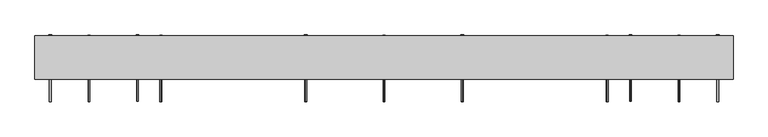
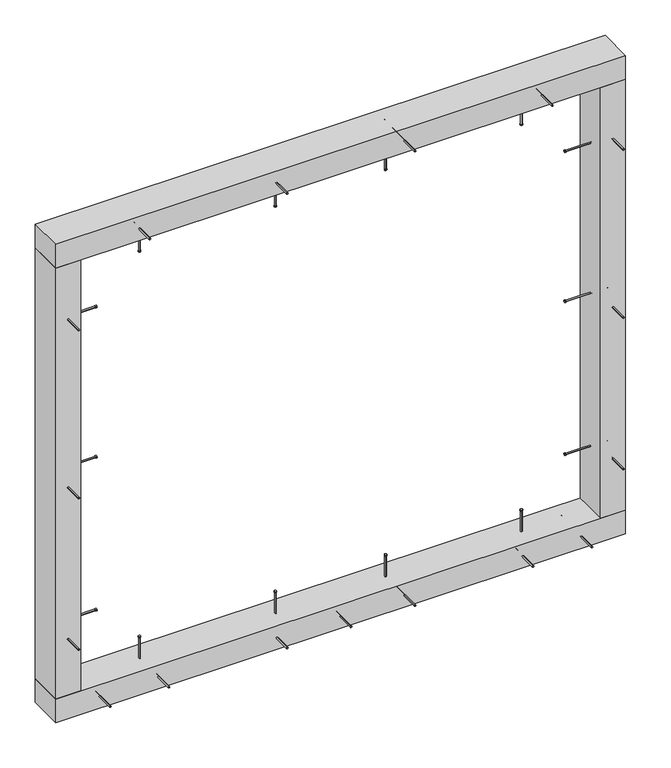
"""IFC4 building model written with IfcOpenShell, lengths in millimetres: proxy geometry."""

from ifc_helpers import new_model, si_unit, point, frame, frame_2d, origin, origin_with_axes, place, context, project, spatial, polyline, circle_curve, trimmed, segment, composite_curve, outline, extrude, source, transform, mapped, element, save


def generic_models_a7472668(model_context):
    return source(origin(), model_context, "Body", "SweptSolid", [
        extrude(outline(composite_curve([segment(trimmed(circle_curve(frame_2d((-525.0, 215.0)), 2.4700592), [point((-525.0, 212.5299408))], [point((-525.0, 217.4700592))], False, "CARTESIAN"), True, "CONTINUOUS"), segment(trimmed(circle_curve(frame_2d((-525.0, 215.0)), 2.4700592), [point((-525.0, 217.4700592))], [point((-525.0, 212.5299408))], False, "CARTESIAN"), True, "CONTINUOUS")], self_intersect=False)), frame((0.0, 0.0, 1550.0), z_axis=(0.0, 0.0, 1.0), x_axis=(1.0, 0.0, 0.0)), (0.0, 0.0, 1.0), 145.0),
        extrude(outline(composite_curve([segment(trimmed(circle_curve(frame_2d((-525.0, 215.0)), 3.8), [point((-525.0, 211.2))], [point((-525.0, 218.8))], False, "CARTESIAN"), True, "CONTINUOUS"), segment(trimmed(circle_curve(frame_2d((-525.0, 215.0)), 3.8), [point((-525.0, 218.8))], [point((-525.0, 211.2))], False, "CARTESIAN"), True, "CONTINUOUS")], self_intersect=False)), frame((0.0, 0.0, 1547.0), z_axis=(0.0, 0.0, 1.0), x_axis=(1.0, 0.0, 0.0)), (0.0, 0.0, 1.0), 3.0),
        extrude(outline(composite_curve([segment(trimmed(circle_curve(frame_2d((775.0, 215.0)), 2.4700592), [point((775.0, 212.5299408))], [point((775.0, 217.4700592))], False, "CARTESIAN"), True, "CONTINUOUS"), segment(trimmed(circle_curve(frame_2d((775.0, 215.0)), 2.4700592), [point((775.0, 217.4700592))], [point((775.0, 212.5299408))], False, "CARTESIAN"), True, "CONTINUOUS")], self_intersect=False)), frame((0.0, 0.0, 1550.0), z_axis=(0.0, 0.0, 1.0), x_axis=(1.0, 0.0, 0.0)), (0.0, 0.0, 1.0), 145.0),
        extrude(outline(composite_curve([segment(trimmed(circle_curve(frame_2d((775.0, 215.0)), 3.8), [point((775.0, 211.2))], [point((775.0, 218.8))], False, "CARTESIAN"), True, "CONTINUOUS"), segment(trimmed(circle_curve(frame_2d((775.0, 215.0)), 3.8), [point((775.0, 218.8))], [point((775.0, 211.2))], False, "CARTESIAN"), True, "CONTINUOUS")], self_intersect=False)), frame((0.0, 0.0, 1547.0), z_axis=(0.0, 0.0, 1.0), x_axis=(1.0, 0.0, 0.0)), (0.0, 0.0, 1.0), 3.0),
        extrude(outline(composite_curve([segment(trimmed(circle_curve(frame_2d((1677.5, 342.5)), 2.4700592), [point((1679.9700592, 342.5))], [point((1675.0299408, 342.5))], False, "CARTESIAN"), True, "CONTINUOUS"), segment(trimmed(circle_curve(frame_2d((1677.5, 342.5)), 2.4700592), [point((1675.0299408, 342.5))], [point((1679.9700592, 342.5))], False, "CARTESIAN"), True, "CONTINUOUS")], self_intersect=False)), frame((0.0, 93.0, 0.0), z_axis=(0.0, 1.0, 0.0), x_axis=(0.0, 0.0, 1.0)), (0.0, 0.0, 1.0), 182.0),
        extrude(outline(composite_curve([segment(trimmed(circle_curve(frame_2d((1677.5, 342.5)), 3.8), [point((1681.3, 342.5))], [point((1673.7, 342.5))], False, "CARTESIAN"), True, "CONTINUOUS"), segment(trimmed(circle_curve(frame_2d((1677.5, 342.5)), 3.8), [point((1673.7, 342.5))], [point((1681.3, 342.5))], False, "CARTESIAN"), True, "CONTINUOUS")], self_intersect=False)), frame((0.0, 275.0, 0.0), z_axis=(0.0, 1.0, 0.0), x_axis=(0.0, 0.0, 1.0)), (0.0, 0.0, 1.0), 3.0),
        extrude(outline(composite_curve([segment(trimmed(circle_curve(frame_2d((312.5, 215.0)), 2.4700592), [point((312.5, 212.5299408))], [point((312.5, 217.4700592))], False, "CARTESIAN"), True, "CONTINUOUS"), segment(trimmed(circle_curve(frame_2d((312.5, 215.0)), 2.4700592), [point((312.5, 217.4700592))], [point((312.5, 212.5299408))], False, "CARTESIAN"), True, "CONTINUOUS")], self_intersect=False)), frame((0.0, 0.0, 1550.0), z_axis=(0.0, 0.0, 1.0), x_axis=(1.0, 0.0, 0.0)), (0.0, 0.0, 1.0), 145.0),
        extrude(outline(composite_curve([segment(trimmed(circle_curve(frame_2d((312.5, 215.0)), 3.8), [point((312.5, 211.2))], [point((312.5, 218.8))], False, "CARTESIAN"), True, "CONTINUOUS"), segment(trimmed(circle_curve(frame_2d((312.5, 215.0)), 3.8), [point((312.5, 218.8))], [point((312.5, 211.2))], False, "CARTESIAN"), True, "CONTINUOUS")], self_intersect=False)), frame((0.0, 0.0, 1547.0), z_axis=(0.0, 0.0, 1.0), x_axis=(1.0, 0.0, 0.0)), (0.0, 0.0, 1.0), 3.0),
        extrude(outline(composite_curve([segment(trimmed(circle_curve(frame_2d((1677.5, -92.5)), 2.4700592), [point((1679.9700592, -92.5))], [point((1675.0299408, -92.5))], False, "CARTESIAN"), True, "CONTINUOUS"), segment(trimmed(circle_curve(frame_2d((1677.5, -92.5)), 2.4700592), [point((1675.0299408, -92.5))], [point((1679.9700592, -92.5))], False, "CARTESIAN"), True, "CONTINUOUS")], self_intersect=False)), frame((0.0, 93.0, 0.0), z_axis=(0.0, 1.0, 0.0), x_axis=(0.0, 0.0, 1.0)), (0.0, 0.0, 1.0), 182.0),
        extrude(outline(composite_curve([segment(trimmed(circle_curve(frame_2d((1677.5, -92.5)), 3.8), [point((1681.3, -92.5))], [point((1673.7, -92.5))], False, "CARTESIAN"), True, "CONTINUOUS"), segment(trimmed(circle_curve(frame_2d((1677.5, -92.5)), 3.8), [point((1673.7, -92.5))], [point((1681.3, -92.5))], False, "CARTESIAN"), True, "CONTINUOUS")], self_intersect=False)), frame((0.0, 275.0, 0.0), z_axis=(0.0, 1.0, 0.0), x_axis=(0.0, 0.0, 1.0)), (0.0, 0.0, 1.0), 3.0),
        extrude(outline(composite_curve([segment(trimmed(circle_curve(frame_2d((-62.5, 215.0)), 2.4700592), [point((-62.5, 212.5299408))], [point((-62.5, 217.4700592))], False, "CARTESIAN"), True, "CONTINUOUS"), segment(trimmed(circle_curve(frame_2d((-62.5, 215.0)), 2.4700592), [point((-62.5, 217.4700592))], [point((-62.5, 212.5299408))], False, "CARTESIAN"), True, "CONTINUOUS")], self_intersect=False)), frame((0.0, 0.0, 1550.0), z_axis=(0.0, 0.0, 1.0), x_axis=(1.0, 0.0, 0.0)), (0.0, 0.0, 1.0), 145.0),
        extrude(outline(composite_curve([segment(trimmed(circle_curve(frame_2d((-62.5, 215.0)), 3.8), [point((-62.5, 211.2))], [point((-62.5, 218.8))], False, "CARTESIAN"), True, "CONTINUOUS"), segment(trimmed(circle_curve(frame_2d((-62.5, 215.0)), 3.8), [point((-62.5, 218.8))], [point((-62.5, 211.2))], False, "CARTESIAN"), True, "CONTINUOUS")], self_intersect=False)), frame((0.0, 0.0, 1547.0), z_axis=(0.0, 0.0, 1.0), x_axis=(1.0, 0.0, 0.0)), (0.0, 0.0, 1.0), 3.0),
        extrude(outline(composite_curve([segment(trimmed(circle_curve(frame_2d((1677.5, -560.0)), 2.4700592), [point((1679.9700592, -560.0))], [point((1675.0299408, -560.0))], False, "CARTESIAN"), True, "CONTINUOUS"), segment(trimmed(circle_curve(frame_2d((1677.5, -560.0)), 2.4700592), [point((1675.0299408, -560.0))], [point((1679.9700592, -560.0))], False, "CARTESIAN"), True, "CONTINUOUS")], self_intersect=False)), frame((0.0, 93.0, 0.0), z_axis=(0.0, 1.0, 0.0), x_axis=(0.0, 0.0, 1.0)), (0.0, 0.0, 1.0), 182.0),
        extrude(outline(composite_curve([segment(trimmed(circle_curve(frame_2d((1677.5, -560.0)), 3.8), [point((1681.3, -560.0))], [point((1673.7, -560.0))], False, "CARTESIAN"), True, "CONTINUOUS"), segment(trimmed(circle_curve(frame_2d((1677.5, -560.0)), 3.8), [point((1673.7, -560.0))], [point((1681.3, -560.0))], False, "CARTESIAN"), True, "CONTINUOUS")], self_intersect=False)), frame((0.0, 275.0, 0.0), z_axis=(0.0, 1.0, 0.0), x_axis=(0.0, 0.0, 1.0)), (0.0, 0.0, 1.0), 3.0),
        extrude(outline(composite_curve([segment(trimmed(circle_curve(frame_2d((1677.5, 810.0)), 2.4700592), [point((1679.9700592, 810.0))], [point((1675.0299408, 810.0))], False, "CARTESIAN"), True, "CONTINUOUS"), segment(trimmed(circle_curve(frame_2d((1677.5, 810.0)), 2.4700592), [point((1675.0299408, 810.0))], [point((1679.9700592, 810.0))], False, "CARTESIAN"), True, "CONTINUOUS")], self_intersect=False)), frame((0.0, 93.0, 0.0), z_axis=(0.0, 1.0, 0.0), x_axis=(0.0, 0.0, 1.0)), (0.0, 0.0, 1.0), 182.0),
        extrude(outline(composite_curve([segment(trimmed(circle_curve(frame_2d((1677.5, 810.0)), 3.8), [point((1681.3, 810.0))], [point((1673.7, 810.0))], False, "CARTESIAN"), True, "CONTINUOUS"), segment(trimmed(circle_curve(frame_2d((1677.5, 810.0)), 3.8), [point((1673.7, 810.0))], [point((1681.3, 810.0))], False, "CARTESIAN"), True, "CONTINUOUS")], self_intersect=False)), frame((0.0, 275.0, 0.0), z_axis=(0.0, 1.0, 0.0), x_axis=(0.0, 0.0, 1.0)), (0.0, 0.0, 1.0), 3.0),
        extrude(outline(polyline([(1095.0, 155.0), (-845.0, 155.0), (-845.0, 275.0), (1095.0, 275.0), (1095.0, 155.0)])), frame((0.0, 0.0, 1635.0), z_axis=(0.0, 0.0, 1.0), x_axis=(1.0, 0.0, 0.0)), (0.0, 0.0, 1.0), 85.0),
        extrude(outline(composite_curve([segment(trimmed(circle_curve(frame_2d((42.5, -495.0)), 2.4700592), [point((44.9700592, -495.0))], [point((40.0299408, -495.0))], False, "CARTESIAN"), True, "CONTINUOUS"), segment(trimmed(circle_curve(frame_2d((42.5, -495.0)), 2.4700592), [point((40.0299408, -495.0))], [point((44.9700592, -495.0))], False, "CARTESIAN"), True, "CONTINUOUS")], self_intersect=False)), frame((0.0, 93.0, 0.0), z_axis=(0.0, 1.0, 0.0), x_axis=(0.0, 0.0, 1.0)), (0.0, 0.0, 1.0), 182.0),
        extrude(outline(composite_curve([segment(trimmed(circle_curve(frame_2d((42.5, -495.0)), 3.8), [point((46.3, -495.0))], [point((38.7, -495.0))], False, "CARTESIAN"), True, "CONTINUOUS"), segment(trimmed(circle_curve(frame_2d((42.5, -495.0)), 3.8), [point((38.7, -495.0))], [point((46.3, -495.0))], False, "CARTESIAN"), True, "CONTINUOUS")], self_intersect=False)), frame((0.0, 275.0, 0.0), z_axis=(0.0, 1.0, 0.0), x_axis=(0.0, 0.0, 1.0)), (0.0, 0.0, 1.0), 3.0),
        extrude(outline(composite_curve([segment(trimmed(circle_curve(frame_2d((-525.0, 215.0)), 2.4700592), [point((-525.0, 212.5299408))], [point((-525.0, 217.4700592))], False, "CARTESIAN"), True, "CONTINUOUS"), segment(trimmed(circle_curve(frame_2d((-525.0, 215.0)), 2.4700592), [point((-525.0, 217.4700592))], [point((-525.0, 212.5299408))], False, "CARTESIAN"), True, "CONTINUOUS")], self_intersect=False)), frame((0.0, 0.0, 25.0), z_axis=(0.0, 0.0, 1.0), x_axis=(1.0, 0.0, 0.0)), (0.0, 0.0, 1.0), 135.0),
        extrude(outline(composite_curve([segment(trimmed(circle_curve(frame_2d((-525.0, 215.0)), 3.8), [point((-525.0, 211.2))], [point((-525.0, 218.8))], False, "CARTESIAN"), True, "CONTINUOUS"), segment(trimmed(circle_curve(frame_2d((-525.0, 215.0)), 3.8), [point((-525.0, 218.8))], [point((-525.0, 211.2))], False, "CARTESIAN"), True, "CONTINUOUS")], self_intersect=False)), frame((0.0, 0.0, 160.0), z_axis=(0.0, 0.0, 1.0), x_axis=(1.0, 0.0, 0.0)), (0.0, 0.0, 1.0), 3.0),
        extrude(outline(composite_curve([segment(trimmed(circle_curve(frame_2d((42.5, -92.5)), 2.4700592), [point((44.9700592, -92.5))], [point((40.0299408, -92.5))], False, "CARTESIAN"), True, "CONTINUOUS"), segment(trimmed(circle_curve(frame_2d((42.5, -92.5)), 2.4700592), [point((40.0299408, -92.5))], [point((44.9700592, -92.5))], False, "CARTESIAN"), True, "CONTINUOUS")], self_intersect=False)), frame((0.0, 93.0, 0.0), z_axis=(0.0, 1.0, 0.0), x_axis=(0.0, 0.0, 1.0)), (0.0, 0.0, 1.0), 182.0),
        extrude(outline(composite_curve([segment(trimmed(circle_curve(frame_2d((42.5, -92.5)), 3.8), [point((46.3, -92.5))], [point((38.7, -92.5))], False, "CARTESIAN"), True, "CONTINUOUS"), segment(trimmed(circle_curve(frame_2d((42.5, -92.5)), 3.8), [point((38.7, -92.5))], [point((46.3, -92.5))], False, "CARTESIAN"), True, "CONTINUOUS")], self_intersect=False)), frame((0.0, 275.0, 0.0), z_axis=(0.0, 1.0, 0.0), x_axis=(0.0, 0.0, 1.0)), (0.0, 0.0, 1.0), 3.0),
        extrude(outline(composite_curve([segment(trimmed(circle_curve(frame_2d((-62.5, 215.0)), 2.4700592), [point((-62.5, 212.5299408))], [point((-62.5, 217.4700592))], False, "CARTESIAN"), True, "CONTINUOUS"), segment(trimmed(circle_curve(frame_2d((-62.5, 215.0)), 2.4700592), [point((-62.5, 217.4700592))], [point((-62.5, 212.5299408))], False, "CARTESIAN"), True, "CONTINUOUS")], self_intersect=False)), frame((0.0, 0.0, 25.0), z_axis=(0.0, 0.0, 1.0), x_axis=(1.0, 0.0, 0.0)), (0.0, 0.0, 1.0), 135.0),
        extrude(outline(composite_curve([segment(trimmed(circle_curve(frame_2d((-62.5, 215.0)), 3.8), [point((-62.5, 211.2))], [point((-62.5, 218.8))], False, "CARTESIAN"), True, "CONTINUOUS"), segment(trimmed(circle_curve(frame_2d((-62.5, 215.0)), 3.8), [point((-62.5, 218.8))], [point((-62.5, 211.2))], False, "CARTESIAN"), True, "CONTINUOUS")], self_intersect=False)), frame((0.0, 0.0, 160.0), z_axis=(0.0, 0.0, 1.0), x_axis=(1.0, 0.0, 0.0)), (0.0, 0.0, 1.0), 3.0),
        extrude(outline(composite_curve([segment(trimmed(circle_curve(frame_2d((42.5, 745.0)), 2.4700592), [point((44.9700592, 745.0))], [point((40.0299408, 745.0))], False, "CARTESIAN"), True, "CONTINUOUS"), segment(trimmed(circle_curve(frame_2d((42.5, 745.0)), 2.4700592), [point((40.0299408, 745.0))], [point((44.9700592, 745.0))], False, "CARTESIAN"), True, "CONTINUOUS")], self_intersect=False)), frame((0.0, 93.0, 0.0), z_axis=(0.0, 1.0, 0.0), x_axis=(0.0, 0.0, 1.0)), (0.0, 0.0, 1.0), 182.0),
        extrude(outline(composite_curve([segment(trimmed(circle_curve(frame_2d((42.5, 745.0)), 3.8), [point((46.3, 745.0))], [point((38.7, 745.0))], False, "CARTESIAN"), True, "CONTINUOUS"), segment(trimmed(circle_curve(frame_2d((42.5, 745.0)), 3.8), [point((38.7, 745.0))], [point((46.3, 745.0))], False, "CARTESIAN"), True, "CONTINUOUS")], self_intersect=False)), frame((0.0, 275.0, 0.0), z_axis=(0.0, 1.0, 0.0), x_axis=(0.0, 0.0, 1.0)), (0.0, 0.0, 1.0), 3.0),
        extrude(outline(composite_curve([segment(trimmed(circle_curve(frame_2d((775.0, 215.0)), 2.4700592), [point((775.0, 212.5299408))], [point((775.0, 217.4700592))], False, "CARTESIAN"), True, "CONTINUOUS"), segment(trimmed(circle_curve(frame_2d((775.0, 215.0)), 2.4700592), [point((775.0, 217.4700592))], [point((775.0, 212.5299408))], False, "CARTESIAN"), True, "CONTINUOUS")], self_intersect=False)), frame((0.0, 0.0, 25.0), z_axis=(0.0, 0.0, 1.0), x_axis=(1.0, 0.0, 0.0)), (0.0, 0.0, 1.0), 135.0),
        extrude(outline(composite_curve([segment(trimmed(circle_curve(frame_2d((775.0, 215.0)), 3.8), [point((775.0, 211.2))], [point((775.0, 218.8))], False, "CARTESIAN"), True, "CONTINUOUS"), segment(trimmed(circle_curve(frame_2d((775.0, 215.0)), 3.8), [point((775.0, 218.8))], [point((775.0, 211.2))], False, "CARTESIAN"), True, "CONTINUOUS")], self_intersect=False)), frame((0.0, 0.0, 160.0), z_axis=(0.0, 0.0, 1.0), x_axis=(1.0, 0.0, 0.0)), (0.0, 0.0, 1.0), 3.0),
        extrude(outline(composite_curve([segment(trimmed(circle_curve(frame_2d((42.5, 342.5)), 2.4700592), [point((44.9700592, 342.5))], [point((40.0299408, 342.5))], False, "CARTESIAN"), True, "CONTINUOUS"), segment(trimmed(circle_curve(frame_2d((42.5, 342.5)), 2.4700592), [point((40.0299408, 342.5))], [point((44.9700592, 342.5))], False, "CARTESIAN"), True, "CONTINUOUS")], self_intersect=False)), frame((0.0, 93.0, 0.0), z_axis=(0.0, 1.0, 0.0), x_axis=(0.0, 0.0, 1.0)), (0.0, 0.0, 1.0), 182.0),
        extrude(outline(composite_curve([segment(trimmed(circle_curve(frame_2d((42.5, 342.5)), 3.8), [point((46.3, 342.5))], [point((38.7, 342.5))], False, "CARTESIAN"), True, "CONTINUOUS"), segment(trimmed(circle_curve(frame_2d((42.5, 342.5)), 3.8), [point((38.7, 342.5))], [point((46.3, 342.5))], False, "CARTESIAN"), True, "CONTINUOUS")], self_intersect=False)), frame((0.0, 275.0, 0.0), z_axis=(0.0, 1.0, 0.0), x_axis=(0.0, 0.0, 1.0)), (0.0, 0.0, 1.0), 3.0),
        extrude(outline(composite_curve([segment(trimmed(circle_curve(frame_2d((312.5, 215.0)), 2.4700592), [point((312.5, 212.5299408))], [point((312.5, 217.4700592))], False, "CARTESIAN"), True, "CONTINUOUS"), segment(trimmed(circle_curve(frame_2d((312.5, 215.0)), 2.4700592), [point((312.5, 217.4700592))], [point((312.5, 212.5299408))], False, "CARTESIAN"), True, "CONTINUOUS")], self_intersect=False)), frame((0.0, 0.0, 25.0), z_axis=(0.0, 0.0, 1.0), x_axis=(1.0, 0.0, 0.0)), (0.0, 0.0, 1.0), 135.0),
        extrude(outline(composite_curve([segment(trimmed(circle_curve(frame_2d((312.5, 215.0)), 3.8), [point((312.5, 211.2))], [point((312.5, 218.8))], False, "CARTESIAN"), True, "CONTINUOUS"), segment(trimmed(circle_curve(frame_2d((312.5, 215.0)), 3.8), [point((312.5, 218.8))], [point((312.5, 211.2))], False, "CARTESIAN"), True, "CONTINUOUS")], self_intersect=False)), frame((0.0, 0.0, 160.0), z_axis=(0.0, 0.0, 1.0), x_axis=(1.0, 0.0, 0.0)), (0.0, 0.0, 1.0), 3.0),
        extrude(outline(composite_curve([segment(trimmed(circle_curve(frame_2d((42.5, 125.0)), 2.4700592), [point((44.9700592, 125.0))], [point((40.0299408, 125.0))], False, "CARTESIAN"), True, "CONTINUOUS"), segment(trimmed(circle_curve(frame_2d((42.5, 125.0)), 2.4700592), [point((40.0299408, 125.0))], [point((44.9700592, 125.0))], False, "CARTESIAN"), True, "CONTINUOUS")], self_intersect=False)), frame((0.0, 93.0, 0.0), z_axis=(0.0, 1.0, 0.0), x_axis=(0.0, 0.0, 1.0)), (0.0, 0.0, 1.0), 182.0),
        extrude(outline(composite_curve([segment(trimmed(circle_curve(frame_2d((42.5, 125.0)), 3.8), [point((46.3, 125.0))], [point((38.7, 125.0))], False, "CARTESIAN"), True, "CONTINUOUS"), segment(trimmed(circle_curve(frame_2d((42.5, 125.0)), 3.8), [point((38.7, 125.0))], [point((46.3, 125.0))], False, "CARTESIAN"), True, "CONTINUOUS")], self_intersect=False)), frame((0.0, 275.0, 0.0), z_axis=(0.0, 1.0, 0.0), x_axis=(0.0, 0.0, 1.0)), (0.0, 0.0, 1.0), 3.0),
        extrude(outline(composite_curve([segment(trimmed(circle_curve(frame_2d((42.5, -695.0)), 2.4700592), [point((44.9700592, -695.0))], [point((40.0299408, -695.0))], False, "CARTESIAN"), True, "CONTINUOUS"), segment(trimmed(circle_curve(frame_2d((42.5, -695.0)), 2.4700592), [point((40.0299408, -695.0))], [point((44.9700592, -695.0))], False, "CARTESIAN"), True, "CONTINUOUS")], self_intersect=False)), frame((0.0, 93.0, 0.0), z_axis=(0.0, 1.0, 0.0), x_axis=(0.0, 0.0, 1.0)), (0.0, 0.0, 1.0), 182.0),
        extrude(outline(composite_curve([segment(trimmed(circle_curve(frame_2d((42.5, -695.0)), 3.8), [point((46.3, -695.0))], [point((38.7, -695.0))], False, "CARTESIAN"), True, "CONTINUOUS"), segment(trimmed(circle_curve(frame_2d((42.5, -695.0)), 3.8), [point((38.7, -695.0))], [point((46.3, -695.0))], False, "CARTESIAN"), True, "CONTINUOUS")], self_intersect=False)), frame((0.0, 275.0, 0.0), z_axis=(0.0, 1.0, 0.0), x_axis=(0.0, 0.0, 1.0)), (0.0, 0.0, 1.0), 3.0),
        extrude(outline(composite_curve([segment(trimmed(circle_curve(frame_2d((42.5, 945.0)), 2.4700592), [point((44.9700592, 945.0))], [point((40.0299408, 945.0))], False, "CARTESIAN"), True, "CONTINUOUS"), segment(trimmed(circle_curve(frame_2d((42.5, 945.0)), 2.4700592), [point((40.0299408, 945.0))], [point((44.9700592, 945.0))], False, "CARTESIAN"), True, "CONTINUOUS")], self_intersect=False)), frame((0.0, 93.0, 0.0), z_axis=(0.0, 1.0, 0.0), x_axis=(0.0, 0.0, 1.0)), (0.0, 0.0, 1.0), 182.0),
        extrude(outline(composite_curve([segment(trimmed(circle_curve(frame_2d((42.5, 945.0)), 3.8), [point((46.3, 945.0))], [point((38.7, 945.0))], False, "CARTESIAN"), True, "CONTINUOUS"), segment(trimmed(circle_curve(frame_2d((42.5, 945.0)), 3.8), [point((38.7, 945.0))], [point((46.3, 945.0))], False, "CARTESIAN"), True, "CONTINUOUS")], self_intersect=False)), frame((0.0, 275.0, 0.0), z_axis=(0.0, 1.0, 0.0), x_axis=(0.0, 0.0, 1.0)), (0.0, 0.0, 1.0), 3.0),
        extrude(outline(polyline([(1095.0, 155.0), (-845.0, 155.0), (-845.0, 275.0), (1095.0, 275.0), (1095.0, 155.0)])), origin_with_axes(), (0.0, 0.0, 1.0), 85.0),
        extrude(outline(composite_curve([segment(trimmed(circle_curve(frame_2d((215.0, 310.0)), 2.4700592), [point((212.5299408, 310.0))], [point((217.4700592, 310.0))], False, "CARTESIAN"), True, "CONTINUOUS"), segment(trimmed(circle_curve(frame_2d((215.0, 310.0)), 2.4700592), [point((217.4700592, 310.0))], [point((212.5299408, 310.0))], False, "CARTESIAN"), True, "CONTINUOUS")], self_intersect=False)), frame((-820.0, 0.0, 0.0), z_axis=(1.0, 0.0, 0.0), x_axis=(0.0, 1.0, 0.0)), (0.0, 0.0, 1.0), 145.0),
        extrude(outline(composite_curve([segment(trimmed(circle_curve(frame_2d((215.0, 310.0)), 3.8), [point((211.2, 310.0))], [point((218.8, 310.0))], False, "CARTESIAN"), True, "CONTINUOUS"), segment(trimmed(circle_curve(frame_2d((215.0, 310.0)), 3.8), [point((218.8, 310.0))], [point((211.2, 310.0))], False, "CARTESIAN"), True, "CONTINUOUS")], self_intersect=False)), frame((-675.0, 0.0, 0.0), z_axis=(1.0, 0.0, 0.0), x_axis=(0.0, 1.0, 0.0)), (0.0, 0.0, 1.0), 3.0),
        extrude(outline(composite_curve([segment(trimmed(circle_curve(frame_2d((215.0, 1400.0)), 2.4700592), [point((212.5299408, 1400.0))], [point((217.4700592, 1400.0))], False, "CARTESIAN"), True, "CONTINUOUS"), segment(trimmed(circle_curve(frame_2d((215.0, 1400.0)), 2.4700592), [point((217.4700592, 1400.0))], [point((212.5299408, 1400.0))], False, "CARTESIAN"), True, "CONTINUOUS")], self_intersect=False)), frame((-820.0, 0.0, 0.0), z_axis=(1.0, 0.0, 0.0), x_axis=(0.0, 1.0, 0.0)), (0.0, 0.0, 1.0), 145.0),
        extrude(outline(composite_curve([segment(trimmed(circle_curve(frame_2d((215.0, 1400.0)), 3.8), [point((211.2, 1400.0))], [point((218.8, 1400.0))], False, "CARTESIAN"), True, "CONTINUOUS"), segment(trimmed(circle_curve(frame_2d((215.0, 1400.0)), 3.8), [point((218.8, 1400.0))], [point((211.2, 1400.0))], False, "CARTESIAN"), True, "CONTINUOUS")], self_intersect=False)), frame((-675.0, 0.0, 0.0), z_axis=(1.0, 0.0, 0.0), x_axis=(0.0, 1.0, 0.0)), (0.0, 0.0, 1.0), 3.0),
        extrude(outline(composite_curve([segment(trimmed(circle_curve(frame_2d((830.0, -802.5)), 2.4700592), [point((830.0, -804.9700592))], [point((830.0, -800.0299408))], False, "CARTESIAN"), True, "CONTINUOUS"), segment(trimmed(circle_curve(frame_2d((830.0, -802.5)), 2.4700592), [point((830.0, -800.0299408))], [point((830.0, -804.9700592))], False, "CARTESIAN"), True, "CONTINUOUS")], self_intersect=False)), frame((0.0, 93.0, 0.0), z_axis=(0.0, 1.0, 0.0), x_axis=(0.0, 0.0, 1.0)), (0.0, 0.0, 1.0), 182.0),
        extrude(outline(composite_curve([segment(trimmed(circle_curve(frame_2d((830.0, -802.5)), 3.8), [point((830.0, -806.3))], [point((830.0, -798.7))], False, "CARTESIAN"), True, "CONTINUOUS"), segment(trimmed(circle_curve(frame_2d((830.0, -802.5)), 3.8), [point((830.0, -798.7))], [point((830.0, -806.3))], False, "CARTESIAN"), True, "CONTINUOUS")], self_intersect=False)), frame((0.0, 275.0, 0.0), z_axis=(0.0, 1.0, 0.0), x_axis=(0.0, 0.0, 1.0)), (0.0, 0.0, 1.0), 3.0),
        extrude(outline(composite_curve([segment(trimmed(circle_curve(frame_2d((215.0, 860.0)), 2.4700592), [point((212.5299408, 860.0))], [point((217.4700592, 860.0))], False, "CARTESIAN"), True, "CONTINUOUS"), segment(trimmed(circle_curve(frame_2d((215.0, 860.0)), 2.4700592), [point((217.4700592, 860.0))], [point((212.5299408, 860.0))], False, "CARTESIAN"), True, "CONTINUOUS")], self_intersect=False)), frame((-820.0, 0.0, 0.0), z_axis=(1.0, 0.0, 0.0), x_axis=(0.0, 1.0, 0.0)), (0.0, 0.0, 1.0), 145.0),
        extrude(outline(composite_curve([segment(trimmed(circle_curve(frame_2d((215.0, 860.0)), 3.8), [point((211.2, 860.0))], [point((218.8, 860.0))], False, "CARTESIAN"), True, "CONTINUOUS"), segment(trimmed(circle_curve(frame_2d((215.0, 860.0)), 3.8), [point((218.8, 860.0))], [point((211.2, 860.0))], False, "CARTESIAN"), True, "CONTINUOUS")], self_intersect=False)), frame((-675.0, 0.0, 0.0), z_axis=(1.0, 0.0, 0.0), x_axis=(0.0, 1.0, 0.0)), (0.0, 0.0, 1.0), 3.0),
        extrude(outline(composite_curve([segment(trimmed(circle_curve(frame_2d((1435.0, -802.5)), 2.4700592), [point((1435.0, -804.9700592))], [point((1435.0, -800.0299408))], False, "CARTESIAN"), True, "CONTINUOUS"), segment(trimmed(circle_curve(frame_2d((1435.0, -802.5)), 2.4700592), [point((1435.0, -800.0299408))], [point((1435.0, -804.9700592))], False, "CARTESIAN"), True, "CONTINUOUS")], self_intersect=False)), frame((0.0, 93.0, 0.0), z_axis=(0.0, 1.0, 0.0), x_axis=(0.0, 0.0, 1.0)), (0.0, 0.0, 1.0), 182.0),
        extrude(outline(composite_curve([segment(trimmed(circle_curve(frame_2d((1435.0, -802.5)), 3.8), [point((1435.0, -806.3))], [point((1435.0, -798.7))], False, "CARTESIAN"), True, "CONTINUOUS"), segment(trimmed(circle_curve(frame_2d((1435.0, -802.5)), 3.8), [point((1435.0, -798.7))], [point((1435.0, -806.3))], False, "CARTESIAN"), True, "CONTINUOUS")], self_intersect=False)), frame((0.0, 275.0, 0.0), z_axis=(0.0, 1.0, 0.0), x_axis=(0.0, 0.0, 1.0)), (0.0, 0.0, 1.0), 3.0),
        extrude(outline(composite_curve([segment(trimmed(circle_curve(frame_2d((285.0, -802.5)), 2.4700592), [point((285.0, -804.9700592))], [point((285.0, -800.0299408))], False, "CARTESIAN"), True, "CONTINUOUS"), segment(trimmed(circle_curve(frame_2d((285.0, -802.5)), 2.4700592), [point((285.0, -800.0299408))], [point((285.0, -804.9700592))], False, "CARTESIAN"), True, "CONTINUOUS")], self_intersect=False)), frame((0.0, 93.0, 0.0), z_axis=(0.0, 1.0, 0.0), x_axis=(0.0, 0.0, 1.0)), (0.0, 0.0, 1.0), 182.0),
        extrude(outline(composite_curve([segment(trimmed(circle_curve(frame_2d((285.0, -802.5)), 3.8), [point((285.0, -806.3))], [point((285.0, -798.7))], False, "CARTESIAN"), True, "CONTINUOUS"), segment(trimmed(circle_curve(frame_2d((285.0, -802.5)), 3.8), [point((285.0, -798.7))], [point((285.0, -806.3))], False, "CARTESIAN"), True, "CONTINUOUS")], self_intersect=False)), frame((0.0, 275.0, 0.0), z_axis=(0.0, 1.0, 0.0), x_axis=(0.0, 0.0, 1.0)), (0.0, 0.0, 1.0), 3.0),
        extrude(outline(polyline([(-845.0, 155.0), (-845.0, 275.0), (-760.0, 275.0), (-760.0, 155.0), (-845.0, 155.0)])), frame((0.0, 0.0, 85.0), z_axis=(0.0, 0.0, 1.0), x_axis=(1.0, 0.0, 0.0)), (0.0, 0.0, 1.0), 1550.0),
        extrude(outline(composite_curve([segment(trimmed(circle_curve(frame_2d((215.0, 310.0)), 2.4700592), [point((212.5299408, 310.0))], [point((217.4700592, 310.0))], False, "CARTESIAN"), True, "CONTINUOUS"), segment(trimmed(circle_curve(frame_2d((215.0, 310.0)), 2.4700592), [point((217.4700592, 310.0))], [point((212.5299408, 310.0))], False, "CARTESIAN"), True, "CONTINUOUS")], self_intersect=False)), frame((925.0, 0.0, 0.0), z_axis=(1.0, 0.0, 0.0), x_axis=(0.0, 1.0, 0.0)), (0.0, 0.0, 1.0), 145.0),
        extrude(outline(composite_curve([segment(trimmed(circle_curve(frame_2d((215.0, 310.0)), 3.8), [point((211.2, 310.0))], [point((218.8, 310.0))], False, "CARTESIAN"), True, "CONTINUOUS"), segment(trimmed(circle_curve(frame_2d((215.0, 310.0)), 3.8), [point((218.8, 310.0))], [point((211.2, 310.0))], False, "CARTESIAN"), True, "CONTINUOUS")], self_intersect=False)), frame((922.0, 0.0, 0.0), z_axis=(1.0, 0.0, 0.0), x_axis=(0.0, 1.0, 0.0)), (0.0, 0.0, 1.0), 3.0),
        extrude(outline(composite_curve([segment(trimmed(circle_curve(frame_2d((215.0, 1400.0)), 2.4700592), [point((212.5299408, 1400.0))], [point((217.4700592, 1400.0))], False, "CARTESIAN"), True, "CONTINUOUS"), segment(trimmed(circle_curve(frame_2d((215.0, 1400.0)), 2.4700592), [point((217.4700592, 1400.0))], [point((212.5299408, 1400.0))], False, "CARTESIAN"), True, "CONTINUOUS")], self_intersect=False)), frame((925.0, 0.0, 0.0), z_axis=(1.0, 0.0, 0.0), x_axis=(0.0, 1.0, 0.0)), (0.0, 0.0, 1.0), 145.0),
        extrude(outline(composite_curve([segment(trimmed(circle_curve(frame_2d((215.0, 1400.0)), 3.8), [point((211.2, 1400.0))], [point((218.8, 1400.0))], False, "CARTESIAN"), True, "CONTINUOUS"), segment(trimmed(circle_curve(frame_2d((215.0, 1400.0)), 3.8), [point((218.8, 1400.0))], [point((211.2, 1400.0))], False, "CARTESIAN"), True, "CONTINUOUS")], self_intersect=False)), frame((922.0, 0.0, 0.0), z_axis=(1.0, 0.0, 0.0), x_axis=(0.0, 1.0, 0.0)), (0.0, 0.0, 1.0), 3.0),
        extrude(outline(composite_curve([segment(trimmed(circle_curve(frame_2d((830.0, 1052.5)), 2.4700592), [point((830.0, 1054.9700592))], [point((830.0, 1050.0299408))], False, "CARTESIAN"), True, "CONTINUOUS"), segment(trimmed(circle_curve(frame_2d((830.0, 1052.5)), 2.4700592), [point((830.0, 1050.0299408))], [point((830.0, 1054.9700592))], False, "CARTESIAN"), True, "CONTINUOUS")], self_intersect=False)), frame((0.0, 93.0, 0.0), z_axis=(0.0, 1.0, 0.0), x_axis=(0.0, 0.0, 1.0)), (0.0, 0.0, 1.0), 182.0),
        extrude(outline(composite_curve([segment(trimmed(circle_curve(frame_2d((830.0, 1052.5)), 3.8), [point((830.0, 1056.3))], [point((830.0, 1048.7))], False, "CARTESIAN"), True, "CONTINUOUS"), segment(trimmed(circle_curve(frame_2d((830.0, 1052.5)), 3.8), [point((830.0, 1048.7))], [point((830.0, 1056.3))], False, "CARTESIAN"), True, "CONTINUOUS")], self_intersect=False)), frame((0.0, 275.0, 0.0), z_axis=(0.0, 1.0, 0.0), x_axis=(0.0, 0.0, 1.0)), (0.0, 0.0, 1.0), 3.0),
        extrude(outline(composite_curve([segment(trimmed(circle_curve(frame_2d((215.0, 860.0)), 2.4700592), [point((212.5299408, 860.0))], [point((217.4700592, 860.0))], False, "CARTESIAN"), True, "CONTINUOUS"), segment(trimmed(circle_curve(frame_2d((215.0, 860.0)), 2.4700592), [point((217.4700592, 860.0))], [point((212.5299408, 860.0))], False, "CARTESIAN"), True, "CONTINUOUS")], self_intersect=False)), frame((925.0, 0.0, 0.0), z_axis=(1.0, 0.0, 0.0), x_axis=(0.0, 1.0, 0.0)), (0.0, 0.0, 1.0), 145.0),
        extrude(outline(composite_curve([segment(trimmed(circle_curve(frame_2d((215.0, 860.0)), 3.8), [point((211.2, 860.0))], [point((218.8, 860.0))], False, "CARTESIAN"), True, "CONTINUOUS"), segment(trimmed(circle_curve(frame_2d((215.0, 860.0)), 3.8), [point((218.8, 860.0))], [point((211.2, 860.0))], False, "CARTESIAN"), True, "CONTINUOUS")], self_intersect=False)), frame((922.0, 0.0, 0.0), z_axis=(1.0, 0.0, 0.0), x_axis=(0.0, 1.0, 0.0)), (0.0, 0.0, 1.0), 3.0),
        extrude(outline(composite_curve([segment(trimmed(circle_curve(frame_2d((1435.0, 1052.5)), 2.4700592), [point((1435.0, 1054.9700592))], [point((1435.0, 1050.0299408))], False, "CARTESIAN"), True, "CONTINUOUS"), segment(trimmed(circle_curve(frame_2d((1435.0, 1052.5)), 2.4700592), [point((1435.0, 1050.0299408))], [point((1435.0, 1054.9700592))], False, "CARTESIAN"), True, "CONTINUOUS")], self_intersect=False)), frame((0.0, 93.0, 0.0), z_axis=(0.0, 1.0, 0.0), x_axis=(0.0, 0.0, 1.0)), (0.0, 0.0, 1.0), 182.0),
        extrude(outline(composite_curve([segment(trimmed(circle_curve(frame_2d((1435.0, 1052.5)), 3.8), [point((1435.0, 1056.3))], [point((1435.0, 1048.7))], False, "CARTESIAN"), True, "CONTINUOUS"), segment(trimmed(circle_curve(frame_2d((1435.0, 1052.5)), 3.8), [point((1435.0, 1048.7))], [point((1435.0, 1056.3))], False, "CARTESIAN"), True, "CONTINUOUS")], self_intersect=False)), frame((0.0, 275.0, 0.0), z_axis=(0.0, 1.0, 0.0), x_axis=(0.0, 0.0, 1.0)), (0.0, 0.0, 1.0), 3.0),
        extrude(outline(composite_curve([segment(trimmed(circle_curve(frame_2d((285.0, 1052.5)), 2.4700592), [point((285.0, 1054.9700592))], [point((285.0, 1050.0299408))], False, "CARTESIAN"), True, "CONTINUOUS"), segment(trimmed(circle_curve(frame_2d((285.0, 1052.5)), 2.4700592), [point((285.0, 1050.0299408))], [point((285.0, 1054.9700592))], False, "CARTESIAN"), True, "CONTINUOUS")], self_intersect=False)), frame((0.0, 93.0, 0.0), z_axis=(0.0, 1.0, 0.0), x_axis=(0.0, 0.0, 1.0)), (0.0, 0.0, 1.0), 182.0),
        extrude(outline(composite_curve([segment(trimmed(circle_curve(frame_2d((285.0, 1052.5)), 3.8), [point((285.0, 1056.3))], [point((285.0, 1048.7))], False, "CARTESIAN"), True, "CONTINUOUS"), segment(trimmed(circle_curve(frame_2d((285.0, 1052.5)), 3.8), [point((285.0, 1048.7))], [point((285.0, 1056.3))], False, "CARTESIAN"), True, "CONTINUOUS")], self_intersect=False)), frame((0.0, 275.0, 0.0), z_axis=(0.0, 1.0, 0.0), x_axis=(0.0, 0.0, 1.0)), (0.0, 0.0, 1.0), 3.0),
        extrude(outline(polyline([(1095.0, 155.0), (1010.0, 155.0), (1010.0, 275.0), (1095.0, 275.0), (1095.0, 155.0)])), frame((0.0, 0.0, 85.0), z_axis=(0.0, 0.0, 1.0), x_axis=(1.0, 0.0, 0.0)), (0.0, 0.0, 1.0), 1550.0),
    ])


if __name__ == "__main__":
    model = new_model("IFC4")
    model_context = context("Model", 3, world=origin())
    ifc_project = project(units=[si_unit("LENGTHUNIT", "METRE", prefix="MILLI")], contexts=[model_context])
    site = spatial("IfcSite", under=ifc_project)
    building = spatial("IfcBuilding", under=site)
    placement = place(None, origin())
    generic_models_shape = generic_models_a7472668(model_context)
    element("IfcBuildingElementProxy", 1, Name="Generic Models", at=placement, inside=building, context=model_context, shape_type="MappedRepresentation", body=[
        mapped(generic_models_shape, transform((0.0, 0.0, 0.0), x_axis=(1.0, 0.0, 0.0), y_axis=(0.0, 1.0, 0.0), z_axis=(0.0, 0.0, 1.0))),
    ])
    save(model, "model.ifc")
